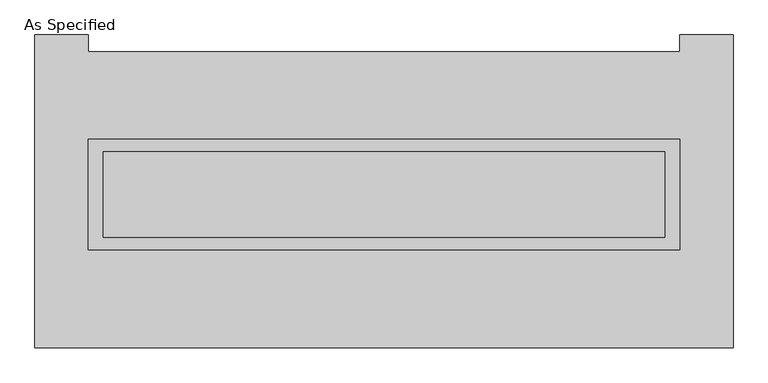
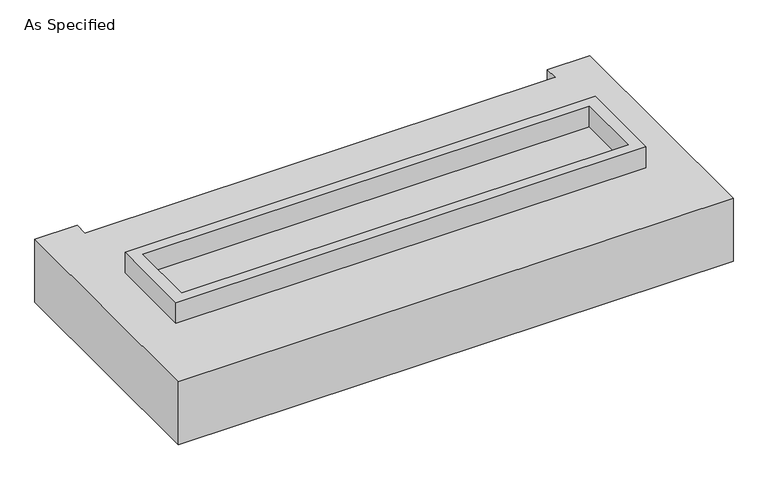
"""IFC4 building model written with IfcOpenShell, lengths in millimetres: proxy geometry, As Specified."""

from ifc_helpers import new_model, si_unit, frame, origin, place, context, project, spatial, polyline, outline, extrude, faceted_brep, source, transform, mapped, element, save


def as_specified_a5c745c8(model_context):
    return source(origin(), model_context, "Body", "SolidModel", [
        extrude(outline(polyline([(1765.3, 361.95), (1765.3, -298.45), (-1765.3, -298.45), (-1765.3, 361.95), (1765.3, 361.95)]), holes=[polyline([(1676.4, 285.75), (-1676.4, 285.75), (-1676.4, -222.25), (1676.4, -222.25), (1676.4, 285.75)])]), frame((0.0, 0.0, -25.4), z_axis=(0.0, 0.0, 1.0), x_axis=(1.0, 0.0, 0.0)), (0.0, 0.0, 1.0), 165.1),
        extrude(outline(polyline([(1676.4, 285.75), (1676.4, -222.25), (-1676.4, -222.25), (-1676.4, 285.75), (1676.4, 285.75)])), frame((0.0, 0.0, -30.3609375), z_axis=(0.0, 0.0, 1.0), x_axis=(1.0, 0.0, 0.0)), (0.0, 0.0, 1.0), 4.9609375),
        faceted_brep([(2082.8, -882.65, -523.875), (-2082.8, -882.65, -523.875), (-2082.8, 984.25, -523.875), (-1765.3, 984.25, -523.875), (-1765.3, 882.65, -523.875), (1765.3, 882.65, -523.875), (1765.3, 984.25, -523.875), (2082.8, 984.25, -523.875), (-2082.8, -882.65, -25.4), (2082.8, -882.65, -25.4), (2082.8, 984.25, -25.4), (1765.3, 984.25, -25.4), (1765.3, 882.65, -25.4), (-1765.3, 882.65, -25.4), (-1765.3, 984.25, -25.4), (-2082.8, 984.25, -25.4), (-1765.3, -298.45, -25.4), (-1765.3, 361.95, -25.4), (1765.3, 361.95, -25.4), (1765.3, -298.45, -25.4), (1765.3, 361.95, -498.475), (-1765.3, 361.95, -498.475), (-1765.3, -298.45, -498.475), (1765.3, -298.45, -498.475)], [[[0, 1, 2, 3, 4, 5, 6, 7]], [[8, 9, 10, 11, 12, 13, 14, 15], [16, 17, 18, 19]], [[4, 13, 12, 5]], [[1, 8, 15, 2]], [[10, 9, 0, 7]], [[20, 21, 22, 23]], [[22, 21, 17, 16]], [[21, 20, 18, 17]], [[20, 23, 19, 18]], [[16, 19, 23, 22]], [[1, 0, 9, 8]], [[4, 3, 14, 13]], [[3, 2, 15, 14]], [[6, 5, 12, 11]], [[7, 6, 11, 10]]]),
    ])


if __name__ == "__main__":
    model = new_model("IFC4")
    model_context = context("Model", 3, world=origin())
    ifc_project = project(units=[si_unit("LENGTHUNIT", "METRE", prefix="MILLI")], contexts=[model_context])
    site = spatial("IfcSite", under=ifc_project)
    building = spatial("IfcBuilding", under=site)
    placement = place(None, origin())
    as_specified_shape = as_specified_a5c745c8(model_context)
    element("IfcBuildingElementProxy", 1, Name="As Specified", ObjectType="As Specified", at=placement, inside=building, context=model_context, shape_type="MappedRepresentation", body=[
        mapped(as_specified_shape, transform((0.0, 0.0, 0.0), x_axis=(1.0, 0.0, 0.0), y_axis=(0.0, 1.0, 0.0), z_axis=(0.0, 0.0, 1.0))),
    ])
    save(model, "model.ifc")
